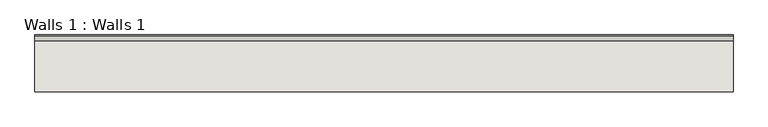
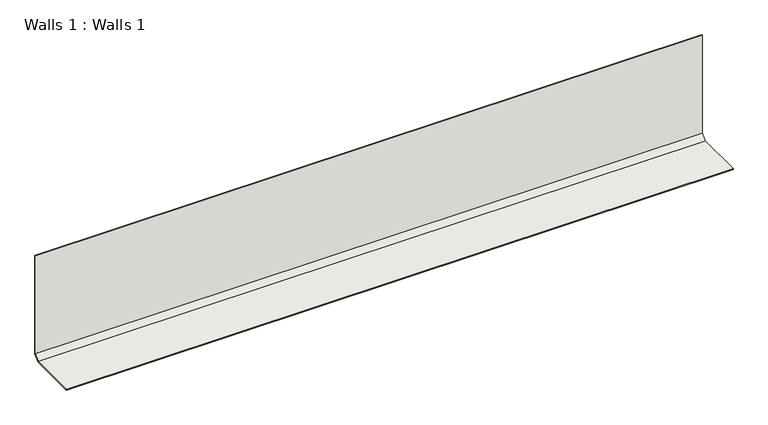
"""IFC4 building model written with IfcOpenShell, lengths in millimetres: wall geometry, Walls 1 : Walls 1."""

from ifc_helpers import new_model, si_unit, frame, origin, place, context, project, spatial, polyline, outline, extrude, source, transform, mapped, element, save


def walls_1_walls_1_77747b7b(model_context):
    return source(origin(), model_context, "Body", "SweptSolid", [
        extrude(outline(polyline([(2095.9514972, 3.1732159), (2113.1434093, 20.3651281), (2113.1434093, 375.7360524), (2116.3184093, 375.7360524), (2116.3184093, 19.05), (2097.2684093, 0.0), (1930.2398651, 0.0), (1930.2398651, 3.1732159), (2095.9514972, 3.1732159)])), frame((-663.6267943, 0.0, 0.0), z_axis=(1.0, 0.0, 0.0), x_axis=(0.0, 1.0, 0.0)), (0.0, 0.0, 1.0), 2286.0),
    ])


if __name__ == "__main__":
    model = new_model("IFC4")
    model_context = context("Model", 3, world=origin())
    ifc_project = project(units=[si_unit("LENGTHUNIT", "METRE", prefix="MILLI")], contexts=[model_context])
    site = spatial("IfcSite", under=ifc_project)
    building = spatial("IfcBuilding", under=site)
    placement = place(None, origin())
    walls_1_walls_1_shape = walls_1_walls_1_77747b7b(model_context)
    element("IfcWall", 1, ObjectType="Walls 1 : Walls 1", at=placement, inside=building, context=model_context, shape_type="MappedRepresentation", body=[
        mapped(walls_1_walls_1_shape, transform((0.0, 0.0, 0.0), x_axis=(1.0, 0.0, 0.0), y_axis=(0.0, 1.0, 0.0), z_axis=(0.0, 0.0, 1.0))),
    ])
    save(model, "model.ifc")
